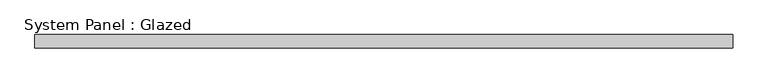
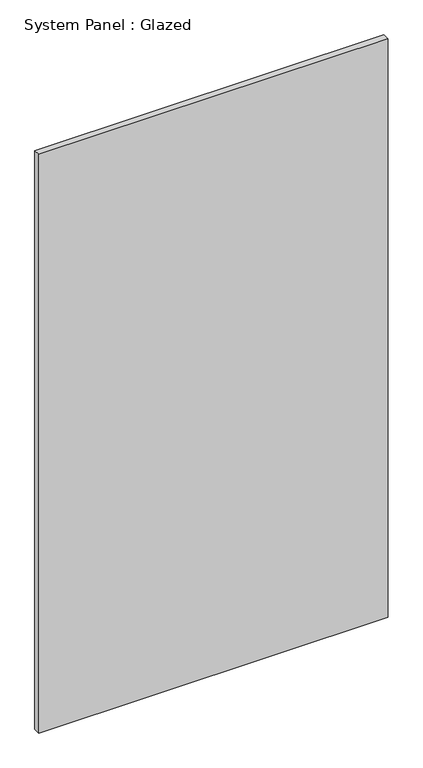
"""IFC4 building model written with IfcOpenShell, lengths in millimetres: plate geometry, System Panel : Glazed."""

from ifc_helpers import new_model, si_unit, origin, origin_with_axes, place, context, project, spatial, polyline, outline, extrude, source, transform, mapped, element, save


def system_panel_glazed_99570772(model_context):
    return source(origin(), model_context, "Body", "SweptSolid", [
        extrude(outline(polyline([(669.2841793, 19.05), (-669.2841793, 19.05), (-669.2841793, 44.45), (669.2841793, 44.45), (669.2841793, 19.05)])), origin_with_axes(), (0.0, 0.0, 1.0), 2343.15),
    ])


if __name__ == "__main__":
    model = new_model("IFC4")
    model_context = context("Model", 3, world=origin())
    ifc_project = project(units=[si_unit("LENGTHUNIT", "METRE", prefix="MILLI")], contexts=[model_context])
    site = spatial("IfcSite", under=ifc_project)
    building = spatial("IfcBuilding", under=site)
    placement = place(None, origin())
    system_panel_glazed_shape = system_panel_glazed_99570772(model_context)
    element("IfcPlate", 1, ObjectType="System Panel : Glazed", at=placement, inside=building, context=model_context, shape_type="MappedRepresentation", body=[
        mapped(system_panel_glazed_shape, transform((0.0, 0.0, 0.0), x_axis=(1.0, 0.0, 0.0), y_axis=(0.0, 1.0, 0.0), z_axis=(0.0, 0.0, 1.0))),
    ])
    save(model, "model.ifc")
